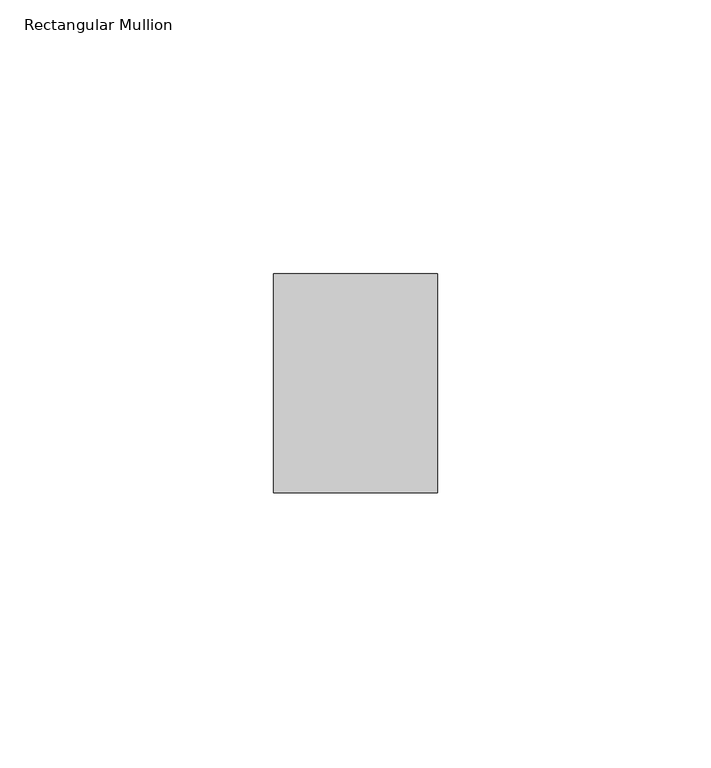
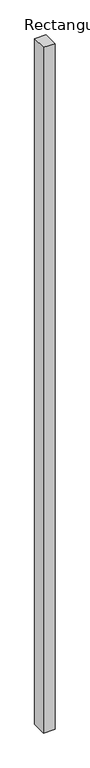
"""IFC4 building model written with IfcOpenShell, lengths in millimetres: member geometry, Rectangular Mullion."""

from ifc_helpers import new_model, si_unit, frame, origin, place, context, project, spatial, polyline, outline, extrude, source, transform, mapped, element, save


def rectangular_mullion_55644539(model_context):
    return source(origin(), model_context, "Body", "SweptSolid", [
        extrude(outline(polyline([(0.0, 20.0), (0.0, -20.0), (-30.0, -20.0), (-30.0, 20.0), (0.0, 20.0)])), frame((0.0, 0.0, -1900.0000001), z_axis=(0.0, 0.0, 1.0), x_axis=(1.0, 0.0, 0.0)), (0.0, 0.0, 1.0), 1900.0000001),
    ])


if __name__ == "__main__":
    model = new_model("IFC4")
    model_context = context("Model", 3, world=origin())
    ifc_project = project(units=[si_unit("LENGTHUNIT", "METRE", prefix="MILLI")], contexts=[model_context])
    site = spatial("IfcSite", under=ifc_project)
    building = spatial("IfcBuilding", under=site)
    placement = place(None, origin())
    rectangular_mullion_shape = rectangular_mullion_55644539(model_context)
    element("IfcMember", 1, ObjectType="Rectangular Mullion", at=placement, inside=building, context=model_context, shape_type="MappedRepresentation", body=[
        mapped(rectangular_mullion_shape, transform((0.0, 0.0, 0.0), x_axis=(1.0, 0.0, 0.0), y_axis=(0.0, 1.0, 0.0), z_axis=(0.0, 0.0, 1.0))),
    ])
    save(model, "model.ifc")
